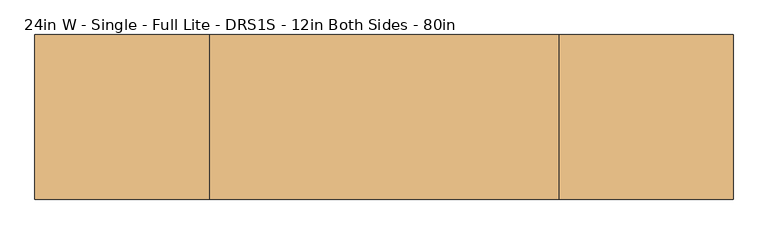
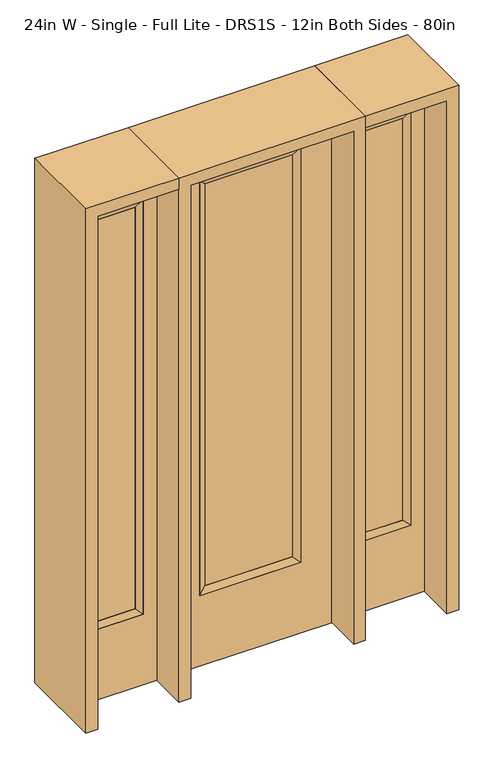
"""IFC4 building model written with IfcOpenShell, lengths in millimetres: door geometry, 24in W - Single - Full Lite - DRS1S - 12in Both Sides - 80in."""

from ifc_helpers import new_model, si_unit, frame, origin, place, context, project, spatial, polyline, outline, extrude, faceted_brep, source, transform, mapped, element, save


def door_24in_w_single_full_lite_drs1s_12in_both_sides_80in_ff146cf2(model_context):
    return source(origin(), model_context, "Body", "SolidModel", [
        extrude(outline(polyline([(163.9824, -12.7039749), (-163.9824, -12.7039749), (-163.9824, 14.2875), (163.9824, 14.2875), (163.9824, -12.7039749)])), frame((0.0, 0.0, 304.8), z_axis=(0.0, 0.0, 1.0), x_axis=(1.0, 0.0, 0.0)), (0.0, 0.0, 1.0), 1591.1576),
        faceted_brep([(163.9824, 14.2875, 1895.9576), (189.3824, 22.225, 1921.3576), (189.3824, 22.225, 279.4), (163.9824, 14.2875, 304.8), (189.3824, -22.225, 1921.3576), (189.3824, -22.225, 279.4), (-189.3824, 22.225, 279.4), (-163.9824, 14.2875, 304.8), (163.9824, -12.7039749, 1895.9576), (163.9824, -12.7039749, 304.8), (-163.9824, -12.7039749, 304.8), (-189.3824, -22.225, 279.4), (-189.3824, 22.225, 1921.3576), (-163.9824, 14.2875, 1895.9576), (-163.9824, -12.7039749, 1895.9576), (-189.3824, -22.225, 1921.3576)], [[[0, 1, 2, 3]], [[1, 4, 5, 2]], [[3, 2, 6, 7]], [[8, 0, 3, 9]], [[9, 3, 7, 10]], [[4, 8, 9, 5]], [[5, 9, 10, 11]], [[2, 5, 11, 6]], [[7, 6, 12, 13]], [[10, 7, 13, 14]], [[11, 10, 14, 15]], [[6, 11, 15, 12]], [[13, 12, 1, 0]], [[14, 13, 0, 8]], [[15, 14, 8, 4]], [[12, 15, 4, 1]]]),
        extrude(outline(polyline([(0.0, -304.8), (0.0, 304.8), (2032.0, 304.8), (2032.0, -304.8), (0.0, -304.8)]), holes=[polyline([(279.4, -189.3824), (1921.3576, -189.3824), (1921.3576, 189.3824), (279.4, 189.3824), (279.4, -189.3824)])]), frame((0.0, -22.225, 0.0), z_axis=(0.0, 1.0, 0.0), x_axis=(0.0, 0.0, 1.0)), (0.0, 0.0, 1.0), 44.45),
        faceted_brep([(400.05, 20.6375, 1920.875), (400.05, 20.6375, 279.4), (400.05, -20.6375, 279.4), (400.05, -20.6375, 1920.875), (425.45, -12.7, 304.8), (425.45, -12.7, 1895.475), (603.25, 20.6375, 279.4), (603.25, -20.6375, 279.4), (425.45, 12.7, 1895.475), (425.45, 12.7, 304.8), (577.85, 12.7, 304.8), (577.85, -12.7, 304.8), (603.25, 20.6375, 1920.875), (603.25, -20.6375, 1920.875), (577.85, 12.7, 1895.475), (577.85, -12.7, 1895.475)], [[[0, 1, 2, 3]], [[3, 2, 4, 5]], [[1, 6, 7, 2]], [[8, 9, 1, 0]], [[9, 10, 6, 1]], [[5, 4, 9, 8]], [[4, 11, 10, 9]], [[2, 7, 11, 4]], [[6, 12, 13, 7]], [[10, 14, 12, 6]], [[11, 15, 14, 10]], [[7, 13, 15, 11]], [[12, 0, 3, 13]], [[14, 8, 0, 12]], [[15, 5, 8, 14]], [[13, 3, 5, 15]]]),
        extrude(outline(polyline([(0.0, 654.05), (2032.0, 654.05), (2032.0, 349.25), (0.0, 349.25), (0.0, 654.05)]), holes=[polyline([(1920.875, 400.05), (1920.875, 603.25), (279.4, 603.25), (279.4, 400.05), (1920.875, 400.05)])]), frame((0.0, -20.6375, 0.0), z_axis=(0.0, 1.0, 0.0), x_axis=(0.0, 0.0, 1.0)), (0.0, 0.0, 1.0), 41.275),
        extrude(outline(polyline([(425.45, -12.7), (425.45, 12.7), (577.85, 12.7), (577.85, -12.7), (425.45, -12.7)])), frame((0.0, 0.0, 304.8), z_axis=(0.0, 0.0, 1.0), x_axis=(1.0, 0.0, 0.0)), (0.0, 0.0, 1.0), 1590.675),
        faceted_brep([(-400.05, 20.6375, 1920.875), (-400.05, -20.6375, 1920.875), (-400.05, -20.6375, 279.4), (-400.05, 20.6375, 279.4), (-425.45, -12.7, 1895.475), (-425.45, -12.7, 304.8), (-603.25, -20.6375, 279.4), (-603.25, 20.6375, 279.4), (-425.45, 12.7, 1895.475), (-425.45, 12.7, 304.8), (-577.85, 12.7, 304.8), (-577.85, -12.7, 304.8), (-603.25, -20.6375, 1920.875), (-603.25, 20.6375, 1920.875), (-577.85, 12.7, 1895.475), (-577.85, -12.7, 1895.475)], [[[0, 1, 2, 3]], [[1, 4, 5, 2]], [[3, 2, 6, 7]], [[8, 0, 3, 9]], [[9, 3, 7, 10]], [[4, 8, 9, 5]], [[5, 9, 10, 11]], [[2, 5, 11, 6]], [[7, 6, 12, 13]], [[10, 7, 13, 14]], [[11, 10, 14, 15]], [[6, 11, 15, 12]], [[13, 12, 1, 0]], [[14, 13, 0, 8]], [[15, 14, 8, 4]], [[12, 15, 4, 1]]]),
        extrude(outline(polyline([(0.0, -654.05), (0.0, -349.25), (2032.0, -349.25), (2032.0, -654.05), (0.0, -654.05)]), holes=[polyline([(1920.875, -400.05), (279.4, -400.05), (279.4, -603.25), (1920.875, -603.25), (1920.875, -400.05)])]), frame((0.0, -20.6375, 0.0), z_axis=(0.0, 1.0, 0.0), x_axis=(0.0, 0.0, 1.0)), (0.0, 0.0, 1.0), 41.275),
        extrude(outline(polyline([(-425.45, -12.7), (-577.85, -12.7), (-577.85, 12.7), (-425.45, 12.7), (-425.45, -12.7)])), frame((0.0, 0.0, 304.8), z_axis=(0.0, 0.0, 1.0), x_axis=(1.0, 0.0, 0.0)), (0.0, 0.0, 1.0), 1590.675),
        extrude(outline(polyline([(2032.0, -349.25), (2076.45, -349.25), (2076.45, -698.5), (0.0, -698.5), (0.0, -654.05), (2032.0, -654.05), (2032.0, -349.25)])), frame((0.0, -165.1, 0.0), z_axis=(0.0, 1.0, 0.0), x_axis=(0.0, 0.0, 1.0)), (0.0, 0.0, 1.0), 330.2),
        extrude(outline(polyline([(2076.45, -349.25), (0.0, -349.25), (0.0, -304.8), (2032.0, -304.8), (2032.0, 304.8), (0.0, 304.8), (0.0, 349.25), (2076.45, 349.25), (2076.45, -349.25)])), frame((0.0, -165.1, 0.0), z_axis=(0.0, 1.0, 0.0), x_axis=(0.0, 0.0, 1.0)), (0.0, 0.0, 1.0), 330.2),
        extrude(outline(polyline([(0.0, 654.05), (0.0, 698.5), (2076.45, 698.5), (2076.45, 349.25), (2032.0, 349.25), (2032.0, 654.05), (0.0, 654.05)])), frame((0.0, -165.1, 0.0), z_axis=(0.0, 1.0, 0.0), x_axis=(0.0, 0.0, 1.0)), (0.0, 0.0, 1.0), 330.2),
    ])


if __name__ == "__main__":
    model = new_model("IFC4")
    model_context = context("Model", 3, world=origin())
    ifc_project = project(units=[si_unit("LENGTHUNIT", "METRE", prefix="MILLI")], contexts=[model_context])
    site = spatial("IfcSite", under=ifc_project)
    building = spatial("IfcBuilding", under=site)
    placement = place(None, origin())
    door_24in_w_single_full_lite_drs1s_12in_both_sides_80in_shape = door_24in_w_single_full_lite_drs1s_12in_both_sides_80in_ff146cf2(model_context)
    element("IfcDoor", 1, ObjectType="24in W - Single - Full Lite - DRS1S - 12in Both Sides - 80in", at=placement, inside=building, context=model_context, shape_type="MappedRepresentation", body=[
        mapped(door_24in_w_single_full_lite_drs1s_12in_both_sides_80in_shape, transform((0.0, 0.0, 0.0), x_axis=(1.0, 0.0, 0.0), y_axis=(0.0, 1.0, 0.0), z_axis=(0.0, 0.0, 1.0))),
    ])
    save(model, "model.ifc")
